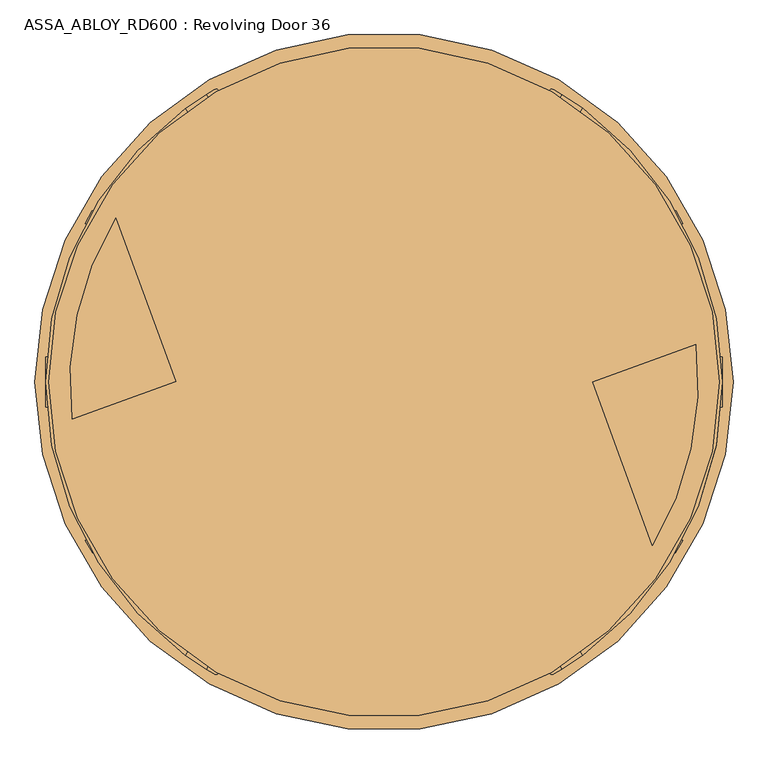
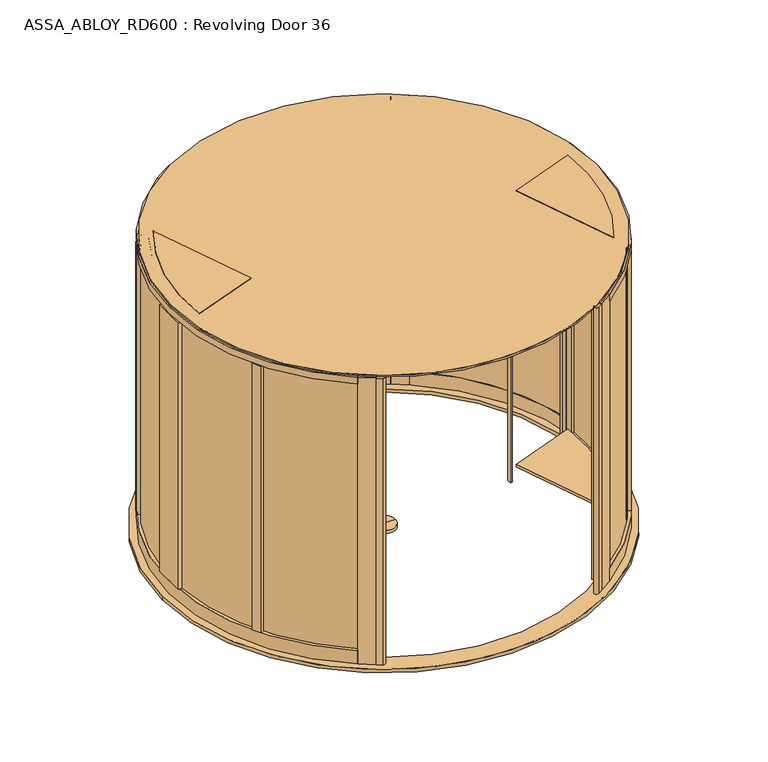
"""IFC4 building model written with IfcOpenShell, lengths in millimetres: door geometry, ASSA_ABLOY_RD600 : Revolving Door 36."""

from ifc_helpers import new_model, si_unit, point, frame, frame_2d, origin, origin_with_axes, origin_2d, place, context, project, spatial, polyline, circle_curve, trimmed, segment, composite_curve, outline, extrude, source, transform, mapped, element, save
from ifc_brep_helpers import plane_surface, cylinder_surface, advanced_brep


def assa_abloy_rd600_revolving_door_36_39c4fd24(model_context):
    return source(origin(), model_context, "Body", "SolidModel", [
        extrude(outline(polyline([(-1430.5746679, 881.2417843), (-1137.121385, 74.9855157), (-1142.7595407, 72.9333948), (-1436.2128237, 879.1896634), (-1430.5746679, 881.2417843)])), frame((0.0, 0.0, 148.0), z_axis=(0.0, 0.0, 1.0), x_axis=(1.0, 0.0, 0.0)), (0.0, 0.0, 1.0), 2372.0),
        extrude(outline(polyline([(-1454.516078, 947.0202677), (-1113.1799749, 9.2070322), (-1118.8181307, 7.1549113), (-1460.1542337, 944.9681469), (-1454.516078, 947.0202677)])), frame((0.0, 0.0, -1.0), z_axis=(0.0, 0.0, 1.0), x_axis=(1.0, 0.0, 0.0)), (0.0, 0.0, 1.0), 29.0),
        extrude(outline(polyline([(-21.1919362, 1e-07), (0.0, 0.0), (1.2354289, -3.3526833), (-14.8894584, -17.1035441), (-15.8652682, -14.4554101), (-11.2716326, -10.6269535), (-14.2348715, -2.5853723), (-20.214336, -2.6529929), (-21.1919362, 1e-07)]), holes=[polyline([(-11.7626281, -2.5849674), (-9.3848751, -9.0376681), (-1.6611385, -2.5160751), (-11.7626281, -2.5849674)])]), frame((-1439.964863, 833.9460231, 122.8848654), z_axis=(0.9396926207859982, 0.34202014332542185, 0.0), x_axis=(-0.11825756092403869, 0.3249099783188412, 0.9383222555567716)), (0.0, 0.0, 1.0), 2.0),
        extrude(outline(polyline([(-3.5121291, 0.0), (0.0, 0.0), (2.8187321, -2.6852579), (4.250422, -5.1162245), (5.5118808, -7.3434953), (7.3063201, -9.1972246), (9.3614355, -9.1814983), (11.0208469, -7.1616301), (10.6514742, -3.4882218), (8.71119, 0.0484616), (6.0403681, 2.648411), (9.0699596, 3.7111349), (11.0920114, 1.0208016), (12.7977466, -2.5981572), (13.1300797, -8.3561656), (9.9996044, -11.7673439), (6.2388815, -11.6844271), (3.0893834, -8.4786224), (1.8238571, -6.2006453), (0.6628891, -4.2207408), (-0.9295188, -2.6144294), (-2.9863484, -2.6252693), (-4.8029446, -4.7524082), (-4.3562345, -8.76362), (-2.4447822, -12.1320669), (0.6567353, -15.0446472), (-2.5145629, -16.1570791), (-4.824798, -13.2083906), (-6.5093631, -9.6341389), (-7.2092232, -6.1919012), (-6.787432, -3.3659464), (-5.4926863, -1.2764387), (-3.5121291, 0.0)])), frame((-1431.8487966, 811.6473139, 111.999973), z_axis=(0.9396926207859982, 0.3420201433254218, 0.0), x_axis=(-0.11321109633786465, 0.3110449308202393, 0.9436282629706527)), (0.0, 0.0, 1.0), 2.0),
        extrude(outline(polyline([(-3.5121291, 0.0), (0.0, 0.0), (2.8187321, -2.6852579), (4.250422, -5.1162244), (5.5118808, -7.3434952), (7.3063201, -9.1972245), (9.3614355, -9.1814982), (11.0208469, -7.16163), (10.6514742, -3.4882218), (8.71119, 0.0484616), (6.0403681, 2.6484111), (9.0699595, 3.711135), (11.0920113, 1.0208017), (12.7977466, -2.5981571), (13.1300796, -8.3561655), (9.9996043, -11.7673438), (6.2388815, -11.6844271), (3.0893834, -8.4786223), (1.8238571, -6.2006452), (0.6628891, -4.2207408), (-0.9295188, -2.6144293), (-2.9863484, -2.6252693), (-4.8029446, -4.7524081), (-4.3562345, -8.76362), (-2.4447823, -12.1320668), (0.6567352, -15.0446471), (-2.5145629, -16.157079), (-4.8247981, -13.2083905), (-6.5093631, -9.6341389), (-7.2092232, -6.1919012), (-6.787432, -3.3659463), (-5.4926863, -1.2764386), (-3.5121291, 0.0)])), frame((-1425.3878233, 793.8959357, 111.999973), z_axis=(0.9396926207859982, 0.3420201433254218, 0.0), x_axis=(-0.11321109633786465, 0.3110449308202393, 0.9436282629706527)), (0.0, 0.0, 1.0), 2.0),
        extrude(outline(polyline([(-21.1919362, 1e-07), (0.0, 0.0), (1.2354289, -3.3526834), (-14.8894584, -17.1035441), (-15.8652682, -14.4554101), (-11.2716326, -10.6269535), (-14.2348715, -2.5853723), (-20.214336, -2.6529929), (-21.1919362, 1e-07)]), holes=[polyline([(-11.7626281, -2.5849674), (-9.3848751, -9.0376682), (-1.6611384, -2.5160752), (-11.7626281, -2.5849674)])]), frame((-1420.5819431, 780.6918883, 122.8848654), z_axis=(0.9396926207859982, 0.34202014332542185, 0.0), x_axis=(-0.11825756092403869, 0.3249099783188412, 0.9383222555567716)), (0.0, 0.0, 1.0), 2.0),
        extrude(outline(polyline([(-21.1919362, 0.0), (0.0, 0.0), (1.2354289, -3.3526834), (-14.8894584, -17.1035442), (-15.8652681, -14.4554102), (-11.2716326, -10.6269536), (-14.2348715, -2.5853724), (-20.2143359, -2.652993), (-21.1919362, 0.0)]), holes=[polyline([(-11.7626281, -2.5849675), (-9.3848751, -9.0376682), (-1.6611384, -2.5160752), (-11.7626281, -2.5849675)])]), frame((-1410.8338079, 753.909107, 122.8848654), z_axis=(0.9396926207859982, 0.34202014332542185, 0.0), x_axis=(-0.11825756092403869, 0.3249099783188412, 0.9383222555567716)), (0.0, 0.0, 1.0), 2.0),
        extrude(outline(polyline([(-3.6247797, -1e-07), (0.0, 0.0), (2.8147562, -2.4211002), (3.7068839, -0.0321767), (5.7320771, 1.441087), (7.9241126, 1.6554024), (9.8352433, 0.5920774), (11.1479956, -1.1951535), (12.3716711, -4.2930708), (14.3144162, -9.9880648), (-4.5055294, -16.4081519), (-6.8194358, -9.6251298), (-7.5842828, -6.2202288), (-7.204982, -3.4426963), (-5.9232413, -1.3859292), (-3.6247797, -1e-07)]), holes=[polyline([(5.2214253, -2.9241787), (4.7734732, -6.6552625), (5.9304264, -10.0467736), (11.2627443, -8.2277489), (10.1960736, -5.1008933), (9.3653605, -2.9303688), (5.2214253, -2.9241787)]), polyline([(-2.8765906, -2.5461079), (-4.3679308, -3.4351117), (-5.1102534, -4.8838351), (-5.1175974, -6.8751818), (-4.3362091, -9.7190964), (-3.1658807, -13.1498157), (3.7347661, -10.7957837), (2.347091, -6.7279308), (1.5099769, -4.5787397), (0.5832316, -3.1932877), (-0.9746905, -2.2912471), (-2.8765906, -2.5461079)])]), frame((-1402.4936973, 730.9948416, 112.561824), z_axis=(0.9396926207859982, 0.34202014332542185, 0.0), x_axis=(-0.11042564634809944, 0.303391969870333, 0.9464457138403678)), (0.0, 0.0, 1.0), 2.0),
        extrude(outline(polyline([(-2.319901, 0.0), (0.0, 0.0), (0.0, -9.9424326), (17.5649644, -9.9424326), (17.5649644, -12.593748), (-2.319901, -12.593748), (-2.319901, 0.0)])), frame((-1396.5392587, 714.6351559, 105.319901), z_axis=(0.9396926207859982, 0.34202014332542185, 0.0), x_axis=(0.0, 0.0, 1.0)), (0.0, 0.0, 1.0), 2.0),
        extrude(outline(polyline([(-3.4755123, 0.0), (0.0, 0.0), (3.5095376, -1.5864763), (6.1998493, -4.2905332), (7.4345588, -7.5668217), (7.0812776, -11.3109182), (5.1361655, -15.2239686), (2.1257686, -18.4422905), (-1.2097864, -20.048671), (-4.7147758, -20.0502835), (-8.2007387, -18.4707048), (-10.9175762, -15.7640054), (-12.1283676, -12.475947), (-11.7934802, -8.7947164), (-9.8417791, -4.8358203), (-6.8343334, -1.6217536), (-3.4755123, 0.0)]), holes=[polyline([(-7.663169, -6.3468237), (-9.5892894, -12.1951337), (-6.8871209, -16.5585186), (-1.8513939, -17.5618518), (2.9575554, -13.7129653), (4.8960977, -7.8921765), (2.1788995, -3.4868579), (-2.8864763, -2.494471), (-7.663169, -6.3468237)])]), frame((-1391.5615817, 700.9591009, 122.5197917), z_axis=(0.9396926207859984, 0.3420201433254219, 0.0), x_axis=(-0.2810410816453021, 0.7721540257602016, 0.5699070721880477)), (0.0, 0.0, 1.0), 2.0),
        extrude(outline(polyline([(-3.1691504, 0.0), (0.0, 0.0), (5.4320896, -8.8964059), (10.921141, 0.0), (14.0643997, 0.0), (6.7732823, -11.4441543), (6.7732823, -19.8848654), (4.1219669, -19.8848654), (4.1219669, -11.1645234), (-3.1691504, 0.0)])), frame((-1384.3611741, 681.1761435, 122.8848654), z_axis=(0.9396926207859982, 0.34202014332542185, 0.0), x_axis=(-0.34202014332542185, 0.9396926207859982, 0.0)), (0.0, 0.0, 1.0), 2.0),
        extrude(outline(polyline([(21.1919362, 0.0), (20.214336, -2.6529929), (14.2348715, -2.5853724), (11.2716326, -10.6269535), (15.8652682, -14.4554101), (14.8894584, -17.1035441), (-1.2354289, -3.3526834), (0.0, 0.0), (21.1919362, 0.0)]), holes=[polyline([(11.7626281, -2.5849674), (1.6611384, -2.5160753), (9.3848751, -9.0376682), (11.7626281, -2.5849674)])]), frame((-1347.7650374, 703.428869, 122.8848654), z_axis=(0.9396926207859961, 0.342020143325428, 0.0), x_axis=(-0.11825756092404077, 0.32490997831884044, -0.9383222555567716)), (0.0, 0.0, 1.0), 2.0),
        extrude(outline(polyline([(3.5121291, 0.0), (5.4926863, -1.2764388), (6.787432, -3.3659463), (7.2092232, -6.1919012), (6.5093631, -9.6341389), (4.8247981, -13.2083906), (2.5145629, -16.157079), (-0.6567352, -15.0446471), (2.4447822, -12.1320668), (4.3562345, -8.7636201), (4.8029446, -4.7524081), (2.9863484, -2.6252693), (0.9295188, -2.6144293), (-0.6628891, -4.2207409), (-1.8238571, -6.2006452), (-3.0893834, -8.4786223), (-6.2388815, -11.6844271), (-9.9996043, -11.7673438), (-13.1300796, -8.3561655), (-12.7977466, -2.5981571), (-11.0920113, 1.0208017), (-9.0699595, 3.711135), (-6.0403681, 2.6484111), (-8.71119, 0.0484616), (-10.6514742, -3.4882218), (-11.0208469, -7.16163), (-9.3614355, -9.1814982), (-7.3063201, -9.1972245), (-5.5118808, -7.3434952), (-4.250422, -5.1162245), (-2.8187321, -2.6852579), (0.0, 0.0), (3.5121291, 0.0)])), frame((-1355.8811038, 725.7275781, 111.999973), z_axis=(0.939692620785996, 0.34202014332542796, 0.0), x_axis=(-0.11321109633786593, 0.31104493082023654, -0.9436282629706535)), (0.0, 0.0, 1.0), 2.0),
        extrude(outline(polyline([(3.5121291, -1e-07), (5.4926863, -1.2764388), (6.787432, -3.3659464), (7.2092232, -6.1919012), (6.5093631, -9.6341389), (4.824798, -13.2083907), (2.5145628, -16.1570791), (-0.6567353, -15.0446472), (2.4447822, -12.1320668), (4.3562345, -8.7636201), (4.8029446, -4.7524081), (2.9863484, -2.6252693), (0.9295188, -2.6144294), (-0.6628891, -4.2207409), (-1.8238571, -6.2006453), (-3.0893834, -8.4786224), (-6.2388815, -11.6844271), (-9.9996044, -11.7673439), (-13.1300797, -8.3561656), (-12.7977466, -2.5981572), (-11.0920114, 1.0208016), (-9.0699596, 3.7111349), (-6.0403681, 2.648411), (-8.71119, 0.0484616), (-10.6514742, -3.4882218), (-11.0208469, -7.1616301), (-9.3614355, -9.1814983), (-7.3063201, -9.1972245), (-5.5118808, -7.3434953), (-4.250422, -5.1162245), (-2.8187321, -2.6852579), (0.0, 0.0), (3.5121291, -1e-07)])), frame((-1362.3420771, 743.4789564, 111.999973), z_axis=(0.939692620785996, 0.34202014332542796, 0.0), x_axis=(-0.11321109633786593, 0.31104493082023654, -0.9436282629706535)), (0.0, 0.0, 1.0), 2.0),
        extrude(outline(polyline([(21.1919362, 0.0), (20.214336, -2.6529929), (14.2348715, -2.5853723), (11.2716326, -10.6269535), (15.8652682, -14.4554101), (14.8894584, -17.1035442), (-1.2354289, -3.3526834), (0.0, 0.0), (21.1919362, 0.0)]), holes=[polyline([(11.7626281, -2.5849675), (1.6611384, -2.5160753), (9.3848751, -9.0376682), (11.7626281, -2.5849675)])]), frame((-1367.1479573, 756.6830038, 122.8848654), z_axis=(0.9396926207859961, 0.342020143325428, 0.0), x_axis=(-0.11825756092404077, 0.32490997831884044, -0.9383222555567716)), (0.0, 0.0, 1.0), 2.0),
        extrude(outline(polyline([(21.1919362, 0.0), (20.214336, -2.6529929), (14.2348715, -2.5853724), (11.2716326, -10.6269535), (15.8652682, -14.4554102), (14.8894584, -17.1035441), (-1.2354289, -3.3526834), (0.0, 0.0), (21.1919362, 0.0)]), holes=[polyline([(11.7626281, -2.5849674), (1.6611384, -2.5160753), (9.3848751, -9.0376682), (11.7626281, -2.5849674)])]), frame((-1376.8960925, 783.465785, 122.8848654), z_axis=(0.9396926207859961, 0.342020143325428, 0.0), x_axis=(-0.11825756092404077, 0.32490997831884044, -0.9383222555567716)), (0.0, 0.0, 1.0), 2.0),
        extrude(outline(polyline([(3.6247797, -1e-07), (5.9232413, -1.3859292), (7.2049821, -3.4426963), (7.5842828, -6.2202287), (6.8194358, -9.6251298), (4.5055294, -16.4081518), (-14.3144162, -9.9880647), (-12.3716711, -4.2930708), (-11.1479956, -1.1951534), (-9.8352433, 0.5920774), (-7.9241126, 1.6554025), (-5.7320771, 1.441087), (-3.7068838, -0.0321766), (-2.8147562, -2.4211002), (0.0, 0.0), (3.6247797, -1e-07)]), holes=[polyline([(-5.2214252, -2.9241786), (-9.3653605, -2.9303687), (-10.1960736, -5.1008933), (-11.2627443, -8.2277488), (-5.9304264, -10.0467735), (-4.7734732, -6.6552624), (-5.2214252, -2.9241786)]), polyline([(2.8765907, -2.5461079), (0.9746905, -2.291247), (-0.5832315, -3.1932876), (-1.5099769, -4.5787396), (-2.347091, -6.7279308), (-3.734766, -10.7957836), (3.1658807, -13.1498156), (4.3362091, -9.7190964), (5.1175974, -6.8751817), (5.1102534, -4.8838351), (4.3679308, -3.4351117), (2.8765907, -2.5461079)])]), frame((-1385.236203, 806.3800504, 112.561824), z_axis=(0.939692620785996, 0.3420201433254279, 0.0), x_axis=(-0.1104256463481014, 0.3033919698703323, -0.9464457138403678)), (0.0, 0.0, 1.0), 2.0),
        extrude(outline(polyline([(2.319901, 0.0), (2.319901, -12.5937482), (-17.5649644, -12.5937482), (-17.5649644, -9.9424328), (0.0, -9.9424328), (0.0, 0.0), (2.319901, 0.0)])), frame((-1391.1906417, 822.7397362, 105.319901), z_axis=(0.939692620785996, 0.3420201433254279, 0.0), x_axis=(0.0, 0.0, -1.0)), (0.0, 0.0, 1.0), 2.0),
        extrude(outline(polyline([(3.4755123, 0.0), (6.8343334, -1.6217536), (9.841779, -4.8358203), (11.7934802, -8.7947163), (12.1283676, -12.475947), (10.9175762, -15.7640054), (8.2007386, -18.4707048), (4.7147757, -20.0502835), (1.2097864, -20.048671), (-2.1257686, -18.4422905), (-5.1361656, -15.2239687), (-7.0812776, -11.3109182), (-7.4345587, -7.5668217), (-6.1998493, -4.2905332), (-3.5095377, -1.5864764), (0.0, 0.0), (3.4755123, 0.0)]), holes=[polyline([(7.6631689, -6.3468237), (2.8864763, -2.494471), (-2.1788995, -3.4868579), (-4.8960978, -7.8921765), (-2.9575554, -13.7129652), (1.8513938, -17.5618518), (6.8871209, -16.5585187), (9.5892894, -12.1951337), (7.6631689, -6.3468237)])]), frame((-1396.1683186, 836.4157912, 122.5197917), z_axis=(0.9396926207859961, 0.3420201433254279, 0.0), x_axis=(-0.2810410816453074, 0.7721540257602008, -0.5699070721880464)), (0.0, 0.0, 1.0), 2.0),
        extrude(outline(polyline([(3.1691505, 0.0), (-4.1219669, -11.1645234), (-4.1219669, -19.8848654), (-6.7732823, -19.8848654), (-6.7732823, -11.4441543), (-14.0643996, 0.0), (-10.9211409, 0.0), (-5.4320895, -8.8964059), (0.0, 0.0), (3.1691505, 0.0)])), frame((-1403.3687262, 856.1987485, 122.8848654), z_axis=(0.939692620785996, 0.3420201433254279, 0.0), x_axis=(-0.3420201433254279, 0.939692620785996, 0.0)), (0.0, 0.0, 1.0), 2.0),
        extrude(outline(polyline([(16.3017206, 0.0), (78.5957564, 16.6009104), (88.5222618, -2.8076911), (20.0, -58.7981528), (20.0, 0.0), (16.3017206, 0.0)])), frame((-1115.9990528, 8.1809718, 28.0), z_axis=(-0.34202014332543407, 0.9396926207859938, 0.0), x_axis=(0.9396926207859938, 0.34202014332543407, 0.0)), (0.0, 0.0, 1.0), 998.0),
        extrude(outline(composite_curve([segment(trimmed(circle_curve(origin_2d(), 1710.0), [point((1697.8370957, 203.590757))], [point((1458.9572557, -891.9325793))], False, "CARTESIAN"), True, "CONTINUOUS"), segment(polyline([(1458.9572557, -891.9325793), (1134.8064754, -1.3356298), (1697.8370957, 203.590757)]), True, "CONTINUOUS")], self_intersect=False)), frame((0.0, 0.0, 2600.0), z_axis=(0.0, 0.0, 1.0), x_axis=(1.0, 0.0, 0.0)), (0.0, 0.0, 1.0), 18.0),
        extrude(outline(composite_curve([segment(polyline([(-1458.9476228, 891.9483359), (-1134.7929052, 1.3405689), (-1697.8370957, -203.590757)]), True, "CONTINUOUS"), segment(trimmed(circle_curve(origin_2d(), 1710.0), [point((-1697.8370957, -203.590757))], [point((-1458.9476228, 891.9483359))], False, "CARTESIAN"), True, "CONTINUOUS")], self_intersect=False)), frame((0.0, 0.0, 2600.0), z_axis=(0.0, 0.0, 1.0), x_axis=(1.0, 0.0, 0.0)), (0.0, 0.0, 1.0), 18.0),
        extrude(outline(composite_curve([segment(polyline([(-1134.7929052, 1.3405689), (-1697.8370957, -203.590757)]), True, "CONTINUOUS"), segment(trimmed(circle_curve(origin_2d(), 1710.0), [point((-1697.8370957, -203.590757))], [point((-1458.9476228, 891.9483359))], False, "CARTESIAN"), True, "CONTINUOUS"), segment(polyline([(-1458.9476228, 891.9483359), (-1134.7929052, 1.3405689)]), True, "CONTINUOUS")], self_intersect=False)), frame((0.0, 0.0, 112.0), z_axis=(0.0, 0.0, 1.0), x_axis=(1.0, 0.0, 0.0)), (0.0, 0.0, 1.0), 22.0),
        extrude(outline(composite_curve([segment(polyline([(1134.8064754, -1.3356298), (1697.8370957, 203.590757)]), True, "CONTINUOUS"), segment(trimmed(circle_curve(origin_2d(), 1710.0), [point((1697.8370957, 203.590757))], [point((1458.9572557, -891.9325793))], False, "CARTESIAN"), True, "CONTINUOUS"), segment(polyline([(1458.9572557, -891.9325793), (1134.8064754, -1.3356298)]), True, "CONTINUOUS")], self_intersect=False)), frame((0.0, 0.0, 112.0), z_axis=(0.0, 0.0, 1.0), x_axis=(1.0, 0.0, 0.0)), (0.0, 0.0, 1.0), 22.0),
        extrude(outline(composite_curve([segment(polyline([(1660.824541, 407.1386056), (1700.7059306, 412.4310096)]), True, "CONTINUOUS"), segment(trimmed(circle_curve(origin_2d(), 1750.0), [point((1700.7059306, 412.4310096))], [point((1047.7766973, -1401.6647219))], False, "CARTESIAN"), True, "CONTINUOUS"), segment(polyline([(1047.7766973, -1401.6647219), (1024.3767396, -1369.2159418)]), True, "CONTINUOUS"), segment(trimmed(circle_curve(origin_2d(), 1710.0), [point((1024.3767396, -1369.2159418))], [point((1660.824541, 407.1386056))], True, "CARTESIAN"), True, "CONTINUOUS")], self_intersect=False)), frame((0.0, 0.0, 2520.0), z_axis=(0.0, 0.0, 1.0), x_axis=(1.0, 0.0, 0.0)), (0.0, 0.0, 1.0), 80.0),
        extrude(outline(composite_curve([segment(polyline([(-1702.1995704, -163.1460165), (-1741.9500017, -167.6609424)]), True, "CONTINUOUS"), segment(trimmed(circle_curve(origin_2d(), 1750.0), [point((-1741.9500017, -167.6609424))], [point((-1047.9704529, 1401.5198642))], False, "CARTESIAN"), True, "CONTINUOUS"), segment(polyline([(-1047.9704529, 1401.5198642), (-1024.5681606, 1369.0727096)]), True, "CONTINUOUS"), segment(trimmed(circle_curve(origin_2d(), 1710.0), [point((-1024.5681606, 1369.0727096))], [point((-1702.1995704, -163.1460165))], True, "CARTESIAN"), True, "CONTINUOUS")], self_intersect=False)), frame((0.0, 0.0, 2520.0), z_axis=(0.0, 0.0, 1.0), x_axis=(1.0, 0.0, 0.0)), (0.0, 0.0, 1.0), 80.0),
        extrude(outline(composite_curve([segment(polyline([(1702.2185647, 162.9477154), (1741.9695218, 167.4580105)]), True, "CONTINUOUS"), segment(trimmed(circle_curve(origin_2d(), 1750.0), [point((1741.9695218, 167.4580105))], [point((1047.7766973, -1401.6647219))], False, "CARTESIAN"), True, "CONTINUOUS"), segment(polyline([(1047.7766973, -1401.6647219), (1024.3767396, -1369.2159418)]), True, "CONTINUOUS"), segment(trimmed(circle_curve(origin_2d(), 1710.0), [point((1024.3767396, -1369.2159418))], [point((1702.2185647, 162.9477154))], True, "CARTESIAN"), True, "CONTINUOUS")], self_intersect=False)), origin_with_axes(), (0.0, 0.0, 1.0), 120.0),
        extrude(outline(composite_curve([segment(polyline([(-1702.1995704, -163.1460165), (-1741.9500017, -167.6609424)]), True, "CONTINUOUS"), segment(trimmed(circle_curve(origin_2d(), 1750.0), [point((-1741.9500017, -167.6609424))], [point((-1047.9704529, 1401.5198642))], False, "CARTESIAN"), True, "CONTINUOUS"), segment(polyline([(-1047.9704529, 1401.5198642), (-1024.5681606, 1369.0727096)]), True, "CONTINUOUS"), segment(trimmed(circle_curve(origin_2d(), 1710.0), [point((-1024.5681606, 1369.0727096))], [point((-1702.1995704, -163.1460165))], True, "CARTESIAN"), True, "CONTINUOUS")], self_intersect=False)), origin_with_axes(), (0.0, 0.0, 1.0), 120.0),
        extrude(outline(composite_curve([segment(trimmed(circle_curve(origin_2d(), 1736.0), [point((1039.5867305, -1390.3076745))], [point((1415.1036141, -1005.5733496))], True, "CARTESIAN"), True, "CONTINUOUS"), segment(polyline([(1415.1036141, -1005.5733496), (1423.3886226, -1011.1779414)]), True, "CONTINUOUS"), segment(trimmed(circle_curve(origin_2d(), 1746.0), [point((1423.3886226, -1011.1779414))], [point((1045.4367088, -1398.419854))], False, "CARTESIAN"), True, "CONTINUOUS"), segment(polyline([(1045.4367088, -1398.419854), (1039.5867305, -1390.3076745)]), True, "CONTINUOUS")], self_intersect=False)), frame((0.0, 0.0, 120.0), z_axis=(0.0, 0.0, 1.0), x_axis=(1.0, 0.0, 0.0)), (0.0, 0.0, 1.0), 2400.0),
        extrude(outline(polyline([(-1735.4341501, -227.3066448), (-1695.481835, -222.7687885), (-1686.3319429, -270.9922243), (-1702.8059547, -329.5212208), (-1723.8244335, -329.5212208), (-1735.4341501, -227.3066448)])), origin_with_axes(), (0.0, 0.0, 1.0), 2600.0),
        extrude(outline(polyline([(1735.4606187, 227.1044716), (1695.5077752, 222.5712696), (1686.3553683, 270.8674484), (1702.8448073, 329.3186515), (1723.8630081, 329.3186515), (1735.4606187, 227.1044716)])), origin_with_axes(), (0.0, 0.0, 1.0), 2600.0),
        extrude(outline(polyline([(-1426.7110601, 957.1404666), (-1423.3255899, 947.8389636), (-1451.0020699, 906.9261051), (-1464.2991463, 943.4595221), (-1426.7110601, 957.1404666)])), origin_with_axes(), (0.0, 0.0, 1.0), 2600.0),
        extrude(outline(polyline([(-1076.0, 22.7394364), (-1076.0, -19.8276745), (-1078.7977529, -20.8459733), (-1092.4785586, 16.7417316), (-1076.0, 22.7394364)])), origin_with_axes(), (0.0, 0.0, 1.0), 2600.0),
        extrude(outline(polyline([(1076.0, -22.7394364), (1076.0, 19.8276745), (1078.7977529, 20.8459733), (1092.4785586, -16.7417316), (1076.0, -22.7394364)])), origin_with_axes(), (0.0, 0.0, 1.0), 2600.0),
        extrude(outline(polyline([(-1695.6896967, -222.7923978), (-1735.4341501, -227.3066448), (-1742.2055205, -167.6899647), (-1702.4610671, -163.1757178), (-1695.6896967, -222.7923978)])), origin_with_axes(), (0.0, 0.0, 1.0), 2600.0),
        extrude(outline(composite_curve([segment(trimmed(circle_curve(origin_2d(), 1736.0), [point((1459.928513, -939.3107777))], [point((1677.1015401, -448.359704))], True, "CARTESIAN"), True, "CONTINUOUS"), segment(polyline([(1677.1015401, -448.359704), (1686.8217739, -450.7197611)]), True, "CONTINUOUS"), segment(trimmed(circle_curve(origin_2d(), 1746.0), [point((1686.8217739, -450.7197611))], [point((1468.2135214, -944.9153695))], False, "CARTESIAN"), True, "CONTINUOUS"), segment(polyline([(1468.2135214, -944.9153695), (1459.928513, -939.3107777)]), True, "CONTINUOUS")], self_intersect=False)), frame((0.0, 0.0, 120.0), z_axis=(0.0, 0.0, 1.0), x_axis=(1.0, 0.0, 0.0)), (0.0, 0.0, 1.0), 2400.0),
        extrude(outline(composite_curve([segment(polyline([(-1468.2135214, 944.9153695), (-1459.928513, 939.3107777)]), True, "CONTINUOUS"), segment(trimmed(circle_curve(origin_2d(), 1736.0), [point((-1459.928513, 939.3107777))], [point((-1677.1015401, 448.359704))], True, "CARTESIAN"), True, "CONTINUOUS"), segment(polyline([(-1677.1015401, 448.359704), (-1686.8217739, 450.7197611)]), True, "CONTINUOUS"), segment(trimmed(circle_curve(origin_2d(), 1746.0), [point((-1686.8217739, 450.7197611))], [point((-1468.2135214, 944.9153695))], False, "CARTESIAN"), True, "CONTINUOUS")], self_intersect=False)), frame((0.0, 0.0, 120.0), z_axis=(0.0, 0.0, 1.0), x_axis=(1.0, 0.0, 0.0)), (0.0, 0.0, 1.0), 2400.0),
        extrude(outline(composite_curve([segment(trimmed(circle_curve(origin_2d(), 1736.0), [point((-1040.0673367, 1389.9481771))], [point((-1415.1036141, 1005.5733496))], True, "CARTESIAN"), True, "CONTINUOUS"), segment(polyline([(-1415.1036141, 1005.5733496), (-1423.3886226, 1011.1779414)]), True, "CONTINUOUS"), segment(trimmed(circle_curve(origin_2d(), 1746.0), [point((-1423.3886226, 1011.1779414))], [point((-1045.630231, 1398.2751589))], False, "CARTESIAN"), True, "CONTINUOUS"), segment(polyline([(-1045.630231, 1398.2751589), (-1040.0673367, 1389.9481771)]), True, "CONTINUOUS")], self_intersect=False)), frame((0.0, 0.0, 120.0), z_axis=(0.0, 0.0, 1.0), x_axis=(1.0, 0.0, 0.0)), (0.0, 0.0, 1.0), 2400.0),
        extrude(outline(composite_curve([segment(trimmed(circle_curve(origin_2d(), 1736.0), [point((1695.9770137, -370.6183604))], [point((1728.0567181, 165.8794108))], True, "CARTESIAN"), True, "CONTINUOUS"), segment(polyline([(1728.0567181, 165.8794108), (1737.9944384, 167.0069824)]), True, "CONTINUOUS"), segment(trimmed(circle_curve(origin_2d(), 1746.0), [point((1737.9944384, 167.0069824))], [point((1705.6972475, -372.9784176))], False, "CARTESIAN"), True, "CONTINUOUS"), segment(polyline([(1705.6972475, -372.9784176), (1695.9770137, -370.6183604)]), True, "CONTINUOUS")], self_intersect=False)), frame((0.0, 0.0, 120.0), z_axis=(0.0, 0.0, 1.0), x_axis=(1.0, 0.0, 0.0)), (0.0, 0.0, 1.0), 2400.0),
        extrude(outline(polyline([(1426.7110601, -957.1404666), (1423.3255899, -947.8389636), (1451.0020699, -906.9261051), (1464.2991463, -943.4595221), (1426.7110601, -957.1404666)])), origin_with_axes(), (0.0, 0.0, 1.0), 2600.0),
        extrude(outline(composite_curve([segment(trimmed(circle_curve(origin_2d(), 1736.0), [point((-1695.9770137, 370.6183604))], [point((-1728.0373821, -166.0807219))], True, "CARTESIAN"), True, "CONTINUOUS"), segment(polyline([(-1728.0373821, -166.0807219), (-1737.9749709, -167.2094513)]), True, "CONTINUOUS"), segment(trimmed(circle_curve(origin_2d(), 1746.0), [point((-1737.9749709, -167.2094513))], [point((-1705.6972475, 372.9784176))], False, "CARTESIAN"), True, "CONTINUOUS"), segment(polyline([(-1705.6972475, 372.9784176), (-1695.9770137, 370.6183604)]), True, "CONTINUOUS")], self_intersect=False)), frame((0.0, 0.0, 120.0), z_axis=(0.0, 0.0, 1.0), x_axis=(1.0, 0.0, 0.0)), (0.0, 0.0, 1.0), 2400.0),
        extrude(outline(polyline([(-1393.9500257, 991.2634997), (-1438.7749246, 925.0009277), (-1471.9062106, 947.4133772), (-1427.0813117, 1013.6759491), (-1393.9500257, 991.2634997)])), origin_with_axes(), (0.0, 0.0, 1.0), 2600.0),
        extrude(outline(polyline([(1393.9500257, -991.2634997), (1438.7749246, -925.0009277), (1471.9062106, -947.4133772), (1427.0813117, -1013.6759491), (1393.9500257, -991.2634997)])), origin_with_axes(), (0.0, 0.0, 1.0), 2600.0),
        extrude(outline(polyline([(1671.1589553, -364.5925756), (1710.0296271, -374.0303124), (1691.1541535, -451.7716559), (1652.2834817, -442.3339192), (1671.1589553, -364.5925756)])), origin_with_axes(), (0.0, 0.0, 1.0), 2600.0),
        extrude(outline(polyline([(999.2612637, -1436.9679631), (975.8648251, -1404.5240629), (1024.5306754, -1369.429405), (1047.927114, -1401.8733052), (999.2612637, -1436.9679631)])), origin_with_axes(), (0.0, 0.0, 1.0), 2600.0),
        extrude(outline(polyline([(-1671.1589553, 364.5925756), (-1710.0296271, 374.0303124), (-1691.1541535, 451.7716559), (-1652.2834817, 442.3339192), (-1671.1589553, 364.5925756)])), origin_with_axes(), (0.0, 0.0, 1.0), 2600.0),
        extrude(outline(polyline([(-1024.7233198, 1369.287837), (-1048.122065, 1401.7300737), (-999.45871, 1436.8281915), (-976.0599648, 1404.3859549), (-1024.7233198, 1369.287837)])), origin_with_axes(), (0.0, 0.0, 1.0), 2600.0),
        extrude(outline(polyline([(1695.7156397, 222.5948547), (1735.4606187, 227.1044716), (1742.225044, 167.4870031), (1702.480065, 162.9773862), (1695.7156397, 222.5948547)])), origin_with_axes(), (0.0, 0.0, 1.0), 2600.0),
        extrude(outline(composite_curve([segment(trimmed(circle_curve(origin_2d(), 1900.0), [point((-1900.0, 0.0))], [point((1900.0, 0.0))], False, "CARTESIAN"), True, "CONTINUOUS"), segment(trimmed(circle_curve(origin_2d(), 1900.0), [point((1900.0, 0.0))], [point((-1900.0, 0.0))], False, "CARTESIAN"), True, "CONTINUOUS")], self_intersect=False), holes=[composite_curve([segment(trimmed(circle_curve(origin_2d(), 1740.0), [point((1740.0, 0.0))], [point((-1740.0, 0.0))], True, "CARTESIAN"), True, "CONTINUOUS"), segment(trimmed(circle_curve(origin_2d(), 1740.0), [point((-1740.0, 0.0))], [point((1740.0, 0.0))], True, "CARTESIAN"), True, "CONTINUOUS")], self_intersect=False)]), frame((0.0, 0.0, -30.0), z_axis=(0.0, 0.0, 1.0), x_axis=(1.0, 0.0, 0.0)), (0.0, 0.0, 1.0), 30.0),
        advanced_brep(
        [(100.0, 0.0, 0.0), (-100.0, 0.0, 0.0), (0.0, 0.0, 0.0), (100.0, 0.0, -30.0), (-100.0, 0.0, -30.0), (0.0, 0.0, -30.0)],
        [
            (0, 1, circle_curve(frame((0.0, 0.0, 0.0), z_axis=(0.0, 0.0, 1.0), x_axis=(-1.0, 0.0, 0.0)), 100.0)),
            (1, 2),
            (2, 0),
            (1, 0, circle_curve(frame((0.0, 0.0, 0.0), z_axis=(0.0, 0.0, 1.0), x_axis=(-1.0, 0.0, 0.0)), 100.0)),
            (3, 4, circle_curve(frame((0.0, 0.0, -30.0), z_axis=(0.0, 0.0, 1.0), x_axis=(-1.0, 0.0, 0.0)), 100.0)),
            (4, 1),
            (0, 3),
            (4, 3, circle_curve(frame((0.0, 0.0, -30.0), z_axis=(0.0, 0.0, 1.0), x_axis=(-1.0, 0.0, 0.0)), 100.0)),
            (5, 4),
            (3, 5),
        ],
        [
            plane_surface(frame((0.0, 0.0, 0.0), z_axis=(0.0, 0.0, 1.0), x_axis=(-1.0, 0.0, 0.0))),
            cylinder_surface(frame((0.0, 0.0, 2174.3150031), z_axis=(0.0, 0.0, -1.0), x_axis=(-1.0, 0.0, 0.0)), 100.0),
            plane_surface(frame((0.0, 0.0, -30.0), z_axis=(0.0, 0.0, -1.0), x_axis=(-1.0, 0.0, 0.0))),
        ],
        [
            (0, [[1, 2, 3]]),
            (0, [[4, -3, -2]]),
            (1, [[5, 6, -1, 7]]),
            (1, [[8, -7, -4, -6]]),
            (2, [[9, -5, 10]]),
            (2, [[-10, -8, -9]]),
        ],
    ),
        extrude(outline(composite_curve([segment(trimmed(circle_curve(origin_2d(), 1800.0), [point((-946.6507128, -1530.9645417))], [point((-903.7586293, -1556.6696309))], True, "CARTESIAN"), True, "CONTINUOUS"), segment(trimmed(circle_curve(frame_2d((-914.7435358, -1573.4007338)), 20.0149437), [point((-903.7586293, -1556.6696309))], [point((-924.8032559, -1590.7039127))], False, "CARTESIAN"), True, "CONTINUOUS"), segment(trimmed(circle_curve(origin_2d(), 1840.0), [point((-924.8032559, -1590.7039127))], [point((-967.6873953, -1564.985976))], False, "CARTESIAN"), True, "CONTINUOUS"), segment(polyline([(-967.6873953, -1564.985976), (-946.6507128, -1530.9645417)]), True, "CONTINUOUS")], self_intersect=False)), origin_with_axes(), (0.0, 0.0, 1.0), 2600.0),
        extrude(outline(composite_curve([segment(trimmed(circle_curve(origin_2d(), 1800.0), [point((946.6507128, 1530.9645417))], [point((903.7586293, 1556.6696309))], True, "CARTESIAN"), True, "CONTINUOUS"), segment(trimmed(circle_curve(frame_2d((914.7435358, 1573.4007338)), 20.0149437), [point((903.7586293, 1556.6696309))], [point((924.8032559, 1590.7039127))], False, "CARTESIAN"), True, "CONTINUOUS"), segment(trimmed(circle_curve(origin_2d(), 1840.0), [point((924.8032559, 1590.7039127))], [point((967.6873953, 1564.985976))], False, "CARTESIAN"), True, "CONTINUOUS"), segment(polyline([(967.6873953, 1564.985976), (946.6507128, 1530.9645417)]), True, "CONTINUOUS")], self_intersect=False)), origin_with_axes(), (0.0, 0.0, 1.0), 2600.0),
        extrude(outline(composite_curve([segment(polyline([(-946.6507128, 1530.9645417), (-967.6873953, 1564.985976)]), True, "CONTINUOUS"), segment(trimmed(circle_curve(origin_2d(), 1840.0), [point((-967.6873953, 1564.985976))], [point((-924.8032559, 1590.7039127))], False, "CARTESIAN"), True, "CONTINUOUS"), segment(trimmed(circle_curve(frame_2d((-914.7435358, 1573.4007338)), 20.0149437), [point((-924.8032559, 1590.7039127))], [point((-903.7586293, 1556.6696309))], False, "CARTESIAN"), True, "CONTINUOUS"), segment(trimmed(circle_curve(origin_2d(), 1800.0), [point((-903.7586293, 1556.6696309))], [point((-946.6507128, 1530.9645417))], True, "CARTESIAN"), True, "CONTINUOUS")], self_intersect=False)), origin_with_axes(), (0.0, 0.0, 1.0), 2600.0),
        extrude(outline(composite_curve([segment(polyline([(946.6507128, -1530.9645417), (967.6873953, -1564.985976)]), True, "CONTINUOUS"), segment(trimmed(circle_curve(origin_2d(), 1840.0), [point((967.6873953, -1564.985976))], [point((924.8032559, -1590.7039127))], False, "CARTESIAN"), True, "CONTINUOUS"), segment(trimmed(circle_curve(frame_2d((914.7435358, -1573.4007338)), 20.0149437), [point((924.8032559, -1590.7039127))], [point((903.7586293, -1556.6696309))], False, "CARTESIAN"), True, "CONTINUOUS"), segment(trimmed(circle_curve(origin_2d(), 1800.0), [point((903.7586293, -1556.6696309))], [point((946.6507128, -1530.9645417))], True, "CARTESIAN"), True, "CONTINUOUS")], self_intersect=False)), origin_with_axes(), (0.0, 0.0, 1.0), 2600.0),
        extrude(outline(composite_curve([segment(trimmed(circle_curve(origin_2d(), 1826.0), [point((-1826.0, 0.0))], [point((1826.0, 0.0))], False, "CARTESIAN"), True, "CONTINUOUS"), segment(trimmed(circle_curve(origin_2d(), 1826.0), [point((1826.0, 0.0))], [point((-1826.0, 0.0))], False, "CARTESIAN"), True, "CONTINUOUS")], self_intersect=False)), frame((0.0, 0.0, 2600.0), z_axis=(0.0, 0.0, 1.0), x_axis=(1.0, 0.0, 0.0)), (0.0, 0.0, 1.0), 16.0),
        extrude(outline(composite_curve([segment(polyline([(-1080.5974106, 1489.0580875), (-1059.5043968, 1454.9396142)]), True, "CONTINUOUS"), segment(trimmed(circle_curve(frame_2d((0.0, -0.2065754)), 1800.0), [point((-1059.5043968, 1454.9396142))], [point((-1059.5043968, -1455.352765))], True, "CARTESIAN"), True, "CONTINUOUS"), segment(polyline([(-1059.5043968, -1455.352765), (-1080.5974106, -1489.4712383)]), True, "CONTINUOUS"), segment(trimmed(circle_curve(frame_2d((0.0, -0.2065754)), 1840.0), [point((-1080.5974106, -1489.4712383))], [point((-1080.5974106, 1489.0580875))], False, "CARTESIAN"), True, "CONTINUOUS")], self_intersect=False)), frame((0.0, 0.0, 2543.0), z_axis=(0.0, 0.0, 1.0), x_axis=(1.0, 0.0, 0.0)), (0.0, 0.0, 1.0), 60.0),
        extrude(outline(composite_curve([segment(polyline([(-1080.5974106, -1489.4712383), (-1059.5043968, -1455.352765)]), True, "CONTINUOUS"), segment(trimmed(circle_curve(frame_2d((0.0, -0.2065754)), 1800.0), [point((-1059.5043968, -1455.352765))], [point((-946.5315241, -1531.2448094))], True, "CARTESIAN"), True, "CONTINUOUS"), segment(polyline([(-946.5315241, -1531.2448094), (-967.5655579, -1565.2678813)]), True, "CONTINUOUS"), segment(trimmed(circle_curve(frame_2d((0.0, -0.2065754)), 1840.0), [point((-967.5655579, -1565.2678813))], [point((-1080.5974106, -1489.4712383))], False, "CARTESIAN"), True, "CONTINUOUS")], self_intersect=False)), frame((0.0, 0.0, 3.0), z_axis=(0.0, 0.0, 1.0), x_axis=(1.0, 0.0, 0.0)), (0.0, 0.0, 1.0), 2600.0),
        extrude(outline(composite_curve([segment(polyline([(-967.5655579, 1564.8547305), (-946.5315241, 1530.8316586)]), True, "CONTINUOUS"), segment(trimmed(circle_curve(frame_2d((0.0, -0.2065754)), 1800.0), [point((-946.5315241, 1530.8316586))], [point((-1059.5043968, 1454.9396142))], True, "CARTESIAN"), True, "CONTINUOUS"), segment(polyline([(-1059.5043968, 1454.9396142), (-1080.5974106, 1489.0580875)]), True, "CONTINUOUS"), segment(trimmed(circle_curve(frame_2d((0.0, -0.2065754)), 1840.0), [point((-1080.5974106, 1489.0580875))], [point((-967.5655579, 1564.8547305))], False, "CARTESIAN"), True, "CONTINUOUS")], self_intersect=False)), frame((0.0, 0.0, 3.0), z_axis=(0.0, 0.0, 1.0), x_axis=(1.0, 0.0, 0.0)), (0.0, 0.0, 1.0), 2600.0),
        extrude(outline(composite_curve([segment(polyline([(-1807.8918662, -136.2065754), (-1799.8691619, -136.2065754)]), True, "CONTINUOUS"), segment(trimmed(circle_curve(frame_2d((0.0, -0.2065754)), 1805.0), [point((-1799.8691619, -136.2065754))], [point((-1062.1411671, -1459.6178064))], True, "CARTESIAN"), True, "CONTINUOUS"), segment(polyline([(-1062.1411671, -1459.6178064), (-1066.3599129, -1466.4417326)]), True, "CONTINUOUS"), segment(trimmed(circle_curve(frame_2d((0.0, -0.2065754)), 1813.0), [point((-1066.3599129, -1466.4417326))], [point((-1807.8918662, -136.2065754))], False, "CARTESIAN"), True, "CONTINUOUS")], self_intersect=False)), frame((0.0, 0.0, 123.0), z_axis=(0.0, 0.0, 1.0), x_axis=(1.0, 0.0, 0.0)), (0.0, 0.0, 1.0), 2420.0),
        extrude(outline(composite_curve([segment(polyline([(-1066.3599129, 1466.0285817), (-1062.1411671, 1459.2046556)]), True, "CONTINUOUS"), segment(trimmed(circle_curve(frame_2d((0.0, -0.2065754)), 1805.0), [point((-1062.1411671, 1459.2046556))], [point((-1799.8691619, 135.7934246))], True, "CARTESIAN"), True, "CONTINUOUS"), segment(polyline([(-1799.8691619, 135.7934246), (-1807.8918662, 135.7934246)]), True, "CONTINUOUS"), segment(trimmed(circle_curve(frame_2d((0.0, -0.2065754)), 1813.0), [point((-1807.8918662, 135.7934246))], [point((-1066.3599129, 1466.0285817))], False, "CARTESIAN"), True, "CONTINUOUS")], self_intersect=False)), frame((0.0, 0.0, 123.0), z_axis=(0.0, 0.0, 1.0), x_axis=(1.0, 0.0, 0.0)), (0.0, 0.0, 1.0), 2420.0),
        extrude(outline(polyline([(-1840.0, -136.2065754), (-1840.0, 135.7934246), (-1800.0, 135.7934246), (-1800.0, -136.2065754), (-1840.0, -136.2065754)])), frame((0.0, 0.0, 123.0), z_axis=(0.0, 0.0, 1.0), x_axis=(1.0, 0.0, 0.0)), (0.0, 0.0, 1.0), 2420.0),
        extrude(outline(composite_curve([segment(polyline([(-1080.5974106, 1489.0580875), (-1059.5043968, 1454.9396142)]), True, "CONTINUOUS"), segment(trimmed(circle_curve(frame_2d((0.0, -0.2065754)), 1800.0), [point((-1059.5043968, 1454.9396142))], [point((-1059.5043968, -1455.352765))], True, "CARTESIAN"), True, "CONTINUOUS"), segment(polyline([(-1059.5043968, -1455.352765), (-1080.5974106, -1489.4712383)]), True, "CONTINUOUS"), segment(trimmed(circle_curve(frame_2d((0.0, -0.2065754)), 1840.0), [point((-1080.5974106, -1489.4712383))], [point((-1080.5974106, 1489.0580875))], False, "CARTESIAN"), True, "CONTINUOUS")], self_intersect=False)), frame((0.0, 0.0, 3.0), z_axis=(0.0, 0.0, 1.0), x_axis=(1.0, 0.0, 0.0)), (0.0, 0.0, 1.0), 120.0),
        extrude(outline(composite_curve([segment(trimmed(circle_curve(frame_2d((0.0, -0.2065754)), 1840.0), [point((-1586.4591093, -932.2728254))], [point((-1625.4746633, -862.4316731))], False, "CARTESIAN"), True, "CONTINUOUS"), segment(polyline([(-1625.4746633, -862.4316731), (-1590.5456491, -842.9191824)]), True, "CONTINUOUS"), segment(trimmed(circle_curve(frame_2d((0.0, -0.2065754)), 1800.0), [point((-1590.5456491, -842.9191824))], [point((-1551.5300952, -912.7603347))], True, "CARTESIAN"), True, "CONTINUOUS"), segment(polyline([(-1551.5300952, -912.7603347), (-1586.4591093, -932.2728254)]), True, "CONTINUOUS")], self_intersect=False)), frame((0.0, 0.0, 123.0), z_axis=(0.0, 0.0, 1.0), x_axis=(1.0, 0.0, 0.0)), (0.0, 0.0, 1.0), 2420.0),
        extrude(outline(composite_curve([segment(polyline([(-1586.5716741, 931.922557), (-1551.6449195, 912.4113285)]), True, "CONTINUOUS"), segment(trimmed(circle_curve(frame_2d((-0.1151007, -0.1429008)), 1800.0), [point((-1551.6449195, 912.4113285))], [point((-1590.6604945, 842.570188))], True, "CARTESIAN"), True, "CONTINUOUS"), segment(polyline([(-1590.6604945, 842.570188), (-1625.587228, 862.0814047)]), True, "CONTINUOUS"), segment(trimmed(circle_curve(frame_2d((-0.1125648, -0.143693)), 1840.0), [point((-1625.587228, 862.0814047))], [point((-1586.5716741, 931.922557))], False, "CARTESIAN"), True, "CONTINUOUS")], self_intersect=False)), frame((0.0, 0.0, 123.0), z_axis=(0.0, 0.0, 1.0), x_axis=(1.0, 0.0, 0.0)), (0.0, 0.0, 1.0), 2420.0),
        extrude(outline(composite_curve([segment(trimmed(circle_curve(origin_2d(), 1840.0), [point((1080.5974106, 1489.2646629))], [point((1080.5974106, -1489.2646629))], False, "CARTESIAN"), True, "CONTINUOUS"), segment(polyline([(1080.5974106, -1489.2646629), (1059.5043968, -1455.1461896)]), True, "CONTINUOUS"), segment(trimmed(circle_curve(origin_2d(), 1800.0), [point((1059.5043968, -1455.1461896))], [point((1059.5043968, 1455.1461896))], True, "CARTESIAN"), True, "CONTINUOUS"), segment(polyline([(1059.5043968, 1455.1461896), (1080.5974106, 1489.2646629)]), True, "CONTINUOUS")], self_intersect=False)), frame((0.0, 0.0, 2540.0), z_axis=(0.0, 0.0, 1.0), x_axis=(1.0, 0.0, 0.0)), (0.0, 0.0, 1.0), 60.0),
        extrude(outline(composite_curve([segment(trimmed(circle_curve(origin_2d(), 1840.0), [point((1080.5974106, -1489.2646629))], [point((967.5655579, -1565.0613059))], False, "CARTESIAN"), True, "CONTINUOUS"), segment(polyline([(967.5655579, -1565.0613059), (946.5315241, -1531.038234)]), True, "CONTINUOUS"), segment(trimmed(circle_curve(origin_2d(), 1800.0), [point((946.5315241, -1531.038234))], [point((1059.5043968, -1455.1461896))], True, "CARTESIAN"), True, "CONTINUOUS"), segment(polyline([(1059.5043968, -1455.1461896), (1080.5974106, -1489.2646629)]), True, "CONTINUOUS")], self_intersect=False)), origin_with_axes(), (0.0, 0.0, 1.0), 2600.0),
        extrude(outline(composite_curve([segment(trimmed(circle_curve(origin_2d(), 1840.0), [point((967.5655579, 1565.0613059))], [point((1080.5974106, 1489.2646629))], False, "CARTESIAN"), True, "CONTINUOUS"), segment(polyline([(1080.5974106, 1489.2646629), (1059.5043968, 1455.1461896)]), True, "CONTINUOUS"), segment(trimmed(circle_curve(origin_2d(), 1800.0), [point((1059.5043968, 1455.1461896))], [point((946.5315241, 1531.038234))], True, "CARTESIAN"), True, "CONTINUOUS"), segment(polyline([(946.5315241, 1531.038234), (967.5655579, 1565.0613059)]), True, "CONTINUOUS")], self_intersect=False)), origin_with_axes(), (0.0, 0.0, 1.0), 2600.0),
        extrude(outline(composite_curve([segment(trimmed(circle_curve(origin_2d(), 1813.0), [point((1807.8918662, -136.0))], [point((1066.3599129, -1466.2351571))], False, "CARTESIAN"), True, "CONTINUOUS"), segment(polyline([(1066.3599129, -1466.2351571), (1062.1411671, -1459.411231)]), True, "CONTINUOUS"), segment(trimmed(circle_curve(origin_2d(), 1805.0), [point((1062.1411671, -1459.411231))], [point((1799.8691619, -136.0))], True, "CARTESIAN"), True, "CONTINUOUS"), segment(polyline([(1799.8691619, -136.0), (1807.8918662, -136.0)]), True, "CONTINUOUS")], self_intersect=False)), frame((0.0, 0.0, 120.0), z_axis=(0.0, 0.0, 1.0), x_axis=(1.0, 0.0, 0.0)), (0.0, 0.0, 1.0), 2420.0),
        extrude(outline(composite_curve([segment(trimmed(circle_curve(origin_2d(), 1813.0), [point((1066.3599129, 1466.2351571))], [point((1807.8918662, 136.0))], False, "CARTESIAN"), True, "CONTINUOUS"), segment(polyline([(1807.8918662, 136.0), (1799.8691619, 136.0)]), True, "CONTINUOUS"), segment(trimmed(circle_curve(origin_2d(), 1805.0), [point((1799.8691619, 136.0))], [point((1062.1411671, 1459.411231))], True, "CARTESIAN"), True, "CONTINUOUS"), segment(polyline([(1062.1411671, 1459.411231), (1066.3599129, 1466.2351571)]), True, "CONTINUOUS")], self_intersect=False)), frame((0.0, 0.0, 120.0), z_axis=(0.0, 0.0, 1.0), x_axis=(1.0, 0.0, 0.0)), (0.0, 0.0, 1.0), 2420.0),
        extrude(outline(polyline([(1840.0, -136.0), (1800.0, -136.0), (1800.0, 136.0), (1840.0, 136.0), (1840.0, -136.0)])), frame((0.0, 0.0, 120.0), z_axis=(0.0, 0.0, 1.0), x_axis=(1.0, 0.0, 0.0)), (0.0, 0.0, 1.0), 2420.0),
        extrude(outline(composite_curve([segment(trimmed(circle_curve(origin_2d(), 1840.0), [point((1080.5974106, 1489.2646629))], [point((1080.5974106, -1489.2646629))], False, "CARTESIAN"), True, "CONTINUOUS"), segment(polyline([(1080.5974106, -1489.2646629), (1059.5043968, -1455.1461896)]), True, "CONTINUOUS"), segment(trimmed(circle_curve(origin_2d(), 1800.0), [point((1059.5043968, -1455.1461896))], [point((1059.5043968, 1455.1461896))], True, "CARTESIAN"), True, "CONTINUOUS"), segment(polyline([(1059.5043968, 1455.1461896), (1080.5974106, 1489.2646629)]), True, "CONTINUOUS")], self_intersect=False)), origin_with_axes(), (0.0, 0.0, 1.0), 120.0),
        extrude(outline(composite_curve([segment(polyline([(1586.4591093, -932.06625), (1551.5300952, -912.5537593)]), True, "CONTINUOUS"), segment(trimmed(circle_curve(origin_2d(), 1800.0), [point((1551.5300952, -912.5537593))], [point((1590.5456491, -842.712607))], True, "CARTESIAN"), True, "CONTINUOUS"), segment(polyline([(1590.5456491, -842.712607), (1625.4746633, -862.2250977)]), True, "CONTINUOUS"), segment(trimmed(circle_curve(origin_2d(), 1840.0), [point((1625.4746633, -862.2250977))], [point((1586.4591093, -932.06625))], False, "CARTESIAN"), True, "CONTINUOUS")], self_intersect=False)), frame((0.0, 0.0, 120.0), z_axis=(0.0, 0.0, 1.0), x_axis=(1.0, 0.0, 0.0)), (0.0, 0.0, 1.0), 2420.0),
        extrude(outline(composite_curve([segment(trimmed(circle_curve(frame_2d((0.1125648, 0.0628824)), 1840.0), [point((1586.5716741, 932.1291324))], [point((1625.587228, 862.2879801))], False, "CARTESIAN"), True, "CONTINUOUS"), segment(polyline([(1625.587228, 862.2879801), (1590.6604945, 842.7767634)]), True, "CONTINUOUS"), segment(trimmed(circle_curve(frame_2d((0.1151007, 0.0636746)), 1800.0), [point((1590.6604945, 842.7767634))], [point((1551.6449195, 912.6179039))], True, "CARTESIAN"), True, "CONTINUOUS"), segment(polyline([(1551.6449195, 912.6179039), (1586.5716741, 932.1291324)]), True, "CONTINUOUS")], self_intersect=False)), frame((0.0, 0.0, 120.0), z_axis=(0.0, 0.0, 1.0), x_axis=(1.0, 0.0, 0.0)), (0.0, 0.0, 1.0), 2420.0),
    ])


if __name__ == "__main__":
    model = new_model("IFC4")
    model_context = context("Model", 3, world=origin())
    ifc_project = project(units=[si_unit("LENGTHUNIT", "METRE", prefix="MILLI")], contexts=[model_context])
    site = spatial("IfcSite", under=ifc_project)
    building = spatial("IfcBuilding", under=site)
    placement = place(None, origin())
    assa_abloy_rd600_revolving_door_36_shape = assa_abloy_rd600_revolving_door_36_39c4fd24(model_context)
    element("IfcDoor", 1, ObjectType="ASSA_ABLOY_RD600 : Revolving Door 36", at=placement, inside=building, context=model_context, shape_type="MappedRepresentation", body=[
        mapped(assa_abloy_rd600_revolving_door_36_shape, transform((0.0, 0.0, 0.0), x_axis=(1.0, 0.0, 0.0), y_axis=(0.0, 1.0, 0.0), z_axis=(0.0, 0.0, 1.0))),
    ])
    save(model, "model.ifc")
